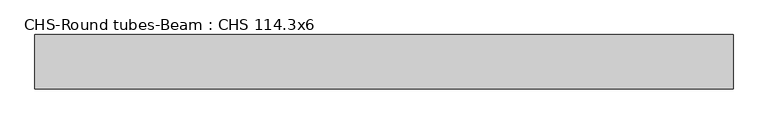
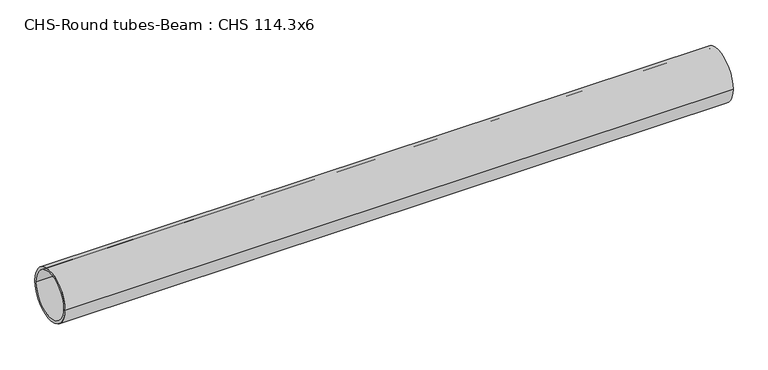
"""IFC4 building model written with IfcOpenShell, lengths in millimetres: beam geometry, CHS-Round tubes-Beam : CHS 114.3x6."""

from ifc_helpers import new_model, si_unit, point, frame, origin, origin_2d, place, context, project, spatial, circle_curve, trimmed, segment, composite_curve, outline, extrude, source, transform, mapped, element, save


def chs_round_tubes_beam_chs_114_3x6_4ce5ae77(model_context):
    return source(origin(), model_context, "Body", "SweptSolid", [
        extrude(outline(composite_curve([segment(trimmed(circle_curve(origin_2d(), 57.15), [point((57.15, 0.0))], [point((-57.15, 0.0))], False, "CARTESIAN"), True, "CONTINUOUS"), segment(trimmed(circle_curve(origin_2d(), 57.15), [point((-57.15, 0.0))], [point((57.15, 0.0))], False, "CARTESIAN"), True, "CONTINUOUS")], self_intersect=False), holes=[composite_curve([segment(trimmed(circle_curve(origin_2d(), 51.15), [point((51.15, 0.0))], [point((-51.15, 0.0))], True, "CARTESIAN"), True, "CONTINUOUS"), segment(trimmed(circle_curve(origin_2d(), 51.15), [point((-51.15, 0.0))], [point((51.15, 0.0))], True, "CARTESIAN"), True, "CONTINUOUS")], self_intersect=False)]), frame((-703.0434298, 0.0, 0.0), z_axis=(1.0, 0.0, 0.0), x_axis=(0.0, 1.0, 0.0)), (0.0, 0.0, 1.0), 1469.4704945),
    ])


if __name__ == "__main__":
    model = new_model("IFC4")
    model_context = context("Model", 3, world=origin())
    ifc_project = project(units=[si_unit("LENGTHUNIT", "METRE", prefix="MILLI")], contexts=[model_context])
    site = spatial("IfcSite", under=ifc_project)
    building = spatial("IfcBuilding", under=site)
    placement = place(None, origin())
    chs_round_tubes_beam_chs_114_3x6_shape = chs_round_tubes_beam_chs_114_3x6_4ce5ae77(model_context)
    element("IfcBeam", 1, ObjectType="CHS-Round tubes-Beam : CHS 114.3x6", at=placement, inside=building, context=model_context, shape_type="MappedRepresentation", body=[
        mapped(chs_round_tubes_beam_chs_114_3x6_shape, transform((0.0, 0.0, 0.0), x_axis=(1.0, 0.0, 0.0), y_axis=(0.0, 1.0, 0.0), z_axis=(0.0, 0.0, 1.0))),
    ])
    save(model, "model.ifc")
